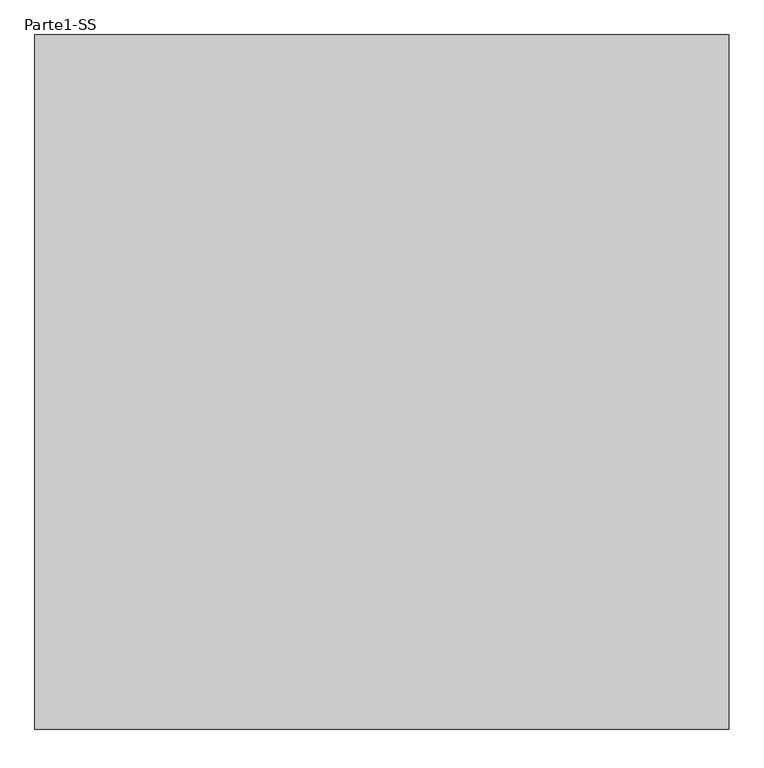
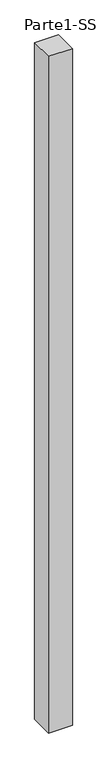
"""IFC4 building model written with IfcOpenShell, lengths in millimetres: proxy geometry, Parte1-SS."""

import ifcopenshell
import ifcopenshell.guid

model = None  # the IFC model being written
_history = None  # IfcOwnerHistory: only IFC2X3 demands one
_inside = {}  # id of a spatial element -> (the spatial element, [elements in it])
_under = {}  # id of a project, library or spatial element -> (it, [spatial elements below it])
_declared = {}  # id of a project -> (the project, [libraries it declares])
_typed = {}  # id of a type object -> (the type object, [elements of that type])
_made_of = {}  # id of a material, layer set ... -> (it, [elements and type objects made of it])


def new_model(schema):
    """Start an empty IFC model of exactly this schema.

    Asked for "IFC4X3", IfcOpenShell would pick the latest addendum, in which some entities
    have other attributes; the version numbers below select the first issue.
    IFC2X3 requires an IfcOwnerHistory on every rooted entity: one is made here for all.
    """
    global model, _history
    if schema == "IFC4X3":
        model = ifcopenshell.file(schema_version=(4, 3, 0, 0))
    else:
        model = ifcopenshell.file(schema=schema)
    _inside.clear()
    _under.clear()
    _declared.clear()
    _typed.clear()
    _made_of.clear()
    _history = None
    if model.schema == "IFC2X3":
        org = make("IfcOrganization", Name="unknown")
        user = make(
            "IfcPersonAndOrganization",
            ThePerson=make("IfcPerson", FamilyName="unknown"),
            TheOrganization=org,
        )
        app = make(
            "IfcApplication",
            ApplicationDeveloper=org,
            Version="unknown",
            ApplicationFullName="unknown",
            ApplicationIdentifier="unknown",
        )
        _history = make(
            "IfcOwnerHistory",
            OwningUser=user,
            OwningApplication=app,
            ChangeAction="ADDED",
            CreationDate=0,
        )
    return model


def make(cls, **values):
    """One entity of the class cls with the attributes given. An attribute that is None is left unset."""
    return model.create_entity(
        cls, **{name: value for name, value in values.items() if value is not None}
    )


def rooted(cls, **values):
    """An entity with a GlobalId (a new one), such as an element, a storey or a relation."""
    return make(cls, GlobalId=ifcopenshell.guid.new(), OwnerHistory=_history, **values)


def si_unit(unit_type, name, prefix=None):
    """IfcSIUnit, for example si_unit("LENGTHUNIT", "METRE", prefix="MILLI")."""
    return make("IfcSIUnit", UnitType=unit_type, Prefix=prefix, Name=name)


def assignment(units):
    """IfcUnitAssignment: the units of a project."""
    return None if units is None else make("IfcUnitAssignment", Units=units)


def point(xyz):
    """IfcCartesianPoint."""
    return None if xyz is None else make("IfcCartesianPoint", Coordinates=xyz)


def direction(xyz):
    """IfcDirection."""
    return None if xyz is None else make("IfcDirection", DirectionRatios=xyz)


def frame(location, z_axis=None, x_axis=None):
    """IfcAxis2Placement3D, a coordinate frame: its origin and axes. An axis left out is left unset."""
    return make(
        "IfcAxis2Placement3D",
        Location=point(location),
        Axis=direction(z_axis),
        RefDirection=direction(x_axis),
    )


def origin():
    """The frame at (0, 0, 0) with its axes left unset."""
    return frame((0.0, 0.0, 0.0))


def place(relative_to, where):
    """IfcLocalPlacement: puts the frame where relative to a parent placement (None: the world)."""
    return make(
        "IfcLocalPlacement", PlacementRelTo=relative_to, RelativePlacement=where
    )


def context(
    kind, dimensions, precision=None, world=None, true_north=None, identifier=None
):
    """IfcGeometricRepresentationContext, for example the 3D "Model" context."""
    return make(
        "IfcGeometricRepresentationContext",
        ContextIdentifier=identifier,
        ContextType=kind,
        CoordinateSpaceDimension=dimensions,
        Precision=precision,
        WorldCoordinateSystem=world,
        TrueNorth=true_north,
    )


def project(units=None, contexts=None):
    """IfcProject with its units and contexts."""
    return rooted(
        "IfcProject",
        Name="project",
        RepresentationContexts=contexts,
        UnitsInContext=assignment(units),
    )


def spatial(cls, under=None, at=None, **own):
    """A site, building, storey or space (cls), placed at a placement, below another one or the project."""
    s = rooted(cls, ObjectPlacement=at, **own)
    if under is not None:
        _under.setdefault(under.id(), (under, []))[1].append(s)
    return s


def polyline(points):
    """IfcPolyline through the points."""
    return make("IfcPolyline", Points=[point(p) for p in points])


def outline(outer, holes=None, kind="AREA"):
    """IfcArbitraryClosedProfileDef: a profile drawn as a closed curve; with holes, ...WithVoids."""
    if holes is None:
        return make("IfcArbitraryClosedProfileDef", ProfileType=kind, OuterCurve=outer)
    return make(
        "IfcArbitraryProfileDefWithVoids",
        ProfileType=kind,
        OuterCurve=outer,
        InnerCurves=holes,
    )


def extrude(swept, where, along, depth):
    """IfcExtrudedAreaSolid: the profile swept, set in the frame where, extruded along a direction by depth."""
    return make(
        "IfcExtrudedAreaSolid",
        SweptArea=swept,
        Position=where,
        ExtrudedDirection=direction(along),
        Depth=depth,
    )


def shape(context_of_items, identifier, shape_type, items):
    """IfcShapeRepresentation: the items that make up one representation, for example the "Body"."""
    return make(
        "IfcShapeRepresentation",
        ContextOfItems=context_of_items,
        RepresentationIdentifier=identifier,
        RepresentationType=shape_type,
        Items=items,
    )


def source(mapping_origin, context_of_items, identifier, shape_type, items):
    """IfcRepresentationMap: a shape defined once, which mapped items show again and again."""
    return make(
        "IfcRepresentationMap",
        MappingOrigin=mapping_origin,
        MappedRepresentation=shape(context_of_items, identifier, shape_type, items),
    )


def transform(
    local_origin,
    x_axis=None,
    y_axis=None,
    z_axis=None,
    scale=None,
    scale2=None,
    scale3=None,
    uniform=True,
):
    """IfcCartesianTransformationOperator3D, or its non-uniform kind. x_axis, y_axis, z_axis: its Axis1, 2, 3."""
    if uniform:
        return make(
            "IfcCartesianTransformationOperator3D",
            Axis1=direction(x_axis),
            Axis2=direction(y_axis),
            LocalOrigin=point(local_origin),
            Scale=scale,
            Axis3=direction(z_axis),
        )
    return make(
        "IfcCartesianTransformationOperator3DnonUniform",
        Axis1=direction(x_axis),
        Axis2=direction(y_axis),
        LocalOrigin=point(local_origin),
        Scale=scale,
        Axis3=direction(z_axis),
        Scale2=scale2,
        Scale3=scale3,
    )


def mapped(mapping_source, mapping_target):
    """IfcMappedItem: shows the shape of a source again, moved by a transform."""
    return make(
        "IfcMappedItem", MappingSource=mapping_source, MappingTarget=mapping_target
    )


def made_of(thing, what):
    """Note that an element or type object is made of a material, layer set ...; save() writes the relation."""
    if what is not None:
        _made_of.setdefault(what.id(), (what, []))[1].append(thing)
    return thing


def element(
    cls,
    number,
    at=None,
    inside=None,
    cuts=None,
    type_object=None,
    material=None,
    context=None,
    identifier="Body",
    shape_type=None,
    held_by="IfcProductDefinitionShape",
    body=None,
    shapes=None,
    **own,
):
    """One element of the class cls, such as IfcWall. Its Tag is "e" and its number.

    at: its placement. inside: the storey or other place that contains it. cuts: it is an
    opening in that element (IfcRelVoidsElement). A single representation is given by context,
    identifier, shape_type and body (its items); several are given by shapes. held_by: the class
    of the entity that holds the representations. save() writes the other relations.
    """
    e = rooted(cls, Tag="e%d" % number, ObjectPlacement=at, **own)
    if body is not None:
        shapes = [shape(context, identifier, shape_type, body)]
    if shapes is not None:
        e.Representation = make(held_by, Representations=shapes)
    if inside is not None:
        _inside.setdefault(inside.id(), (inside, []))[1].append(e)
    if cuts is not None:
        rooted(
            "IfcRelVoidsElement", RelatingBuildingElement=cuts, RelatedOpeningElement=e
        )
    if type_object is not None:
        _typed.setdefault(type_object.id(), (type_object, []))[1].append(e)
    return made_of(e, material)


def aggregate(whole, parts):
    """IfcRelAggregates: a whole, such as a stair, and the parts it consists of."""
    return rooted("IfcRelAggregates", RelatingObject=whole, RelatedObjects=parts)


def save(model, path):
    """Write the relations noted so far, then the file.

    IfcRelAggregates (storeys below a building ...), IfcRelContainedInSpatialStructure (elements
    in a storey), IfcRelDefinesByType, IfcRelAssociatesMaterial and IfcRelDeclares: one each for
    every whole, place, type object, material and project.
    """
    for whole, parts in _under.values():
        aggregate(whole, parts)
    for where, things in _inside.values():
        rooted(
            "IfcRelContainedInSpatialStructure",
            RelatedElements=things,
            RelatingStructure=where,
        )
    for kind, things in _typed.values():
        rooted("IfcRelDefinesByType", RelatedObjects=things, RelatingType=kind)
    for what, things in _made_of.values():
        rooted("IfcRelAssociatesMaterial", RelatedObjects=things, RelatingMaterial=what)
    for by, libraries in _declared.values():
        rooted("IfcRelDeclares", RelatingContext=by, RelatedDefinitions=libraries)
    model.write(path)


def parte1_ss_9628354e(model_context):
    return source(origin(), model_context, "Body", "SweptSolid", [
        extrude(outline(polyline([(2000.0, 2000.0), (2000.0, 0.0), (0.0, 0.0), (0.0, 2000.0), (2000.0, 2000.0)])), frame((0.0, 0.0, 10000.0), z_axis=(0.0, 0.0, 1.0), x_axis=(1.0, 0.0, 0.0)), (0.0, 0.0, 1.0), 60000.0),
    ])


if __name__ == "__main__":
    model = new_model("IFC4")
    model_context = context("Model", 3, world=origin())
    ifc_project = project(units=[si_unit("LENGTHUNIT", "METRE", prefix="MILLI")], contexts=[model_context])
    site = spatial("IfcSite", under=ifc_project)
    building = spatial("IfcBuilding", under=site)
    placement = place(None, origin())
    parte1_ss_shape = parte1_ss_9628354e(model_context)
    element("IfcBuildingElementProxy", 1, Name="Parte1-SS", ObjectType="Parte1-SS", at=placement, inside=building, context=model_context, shape_type="MappedRepresentation", body=[
        mapped(parte1_ss_shape, transform((0.0, 0.0, 0.0), x_axis=(1.0, 0.0, 0.0), y_axis=(0.0, 1.0, 0.0), z_axis=(0.0, 0.0, 1.0))),
    ])
    save(model, "model.ifc")
